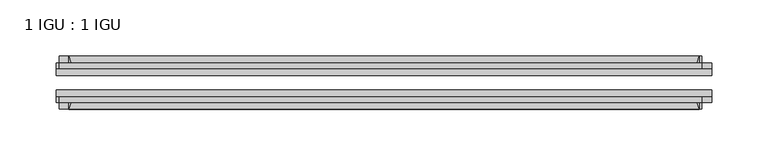
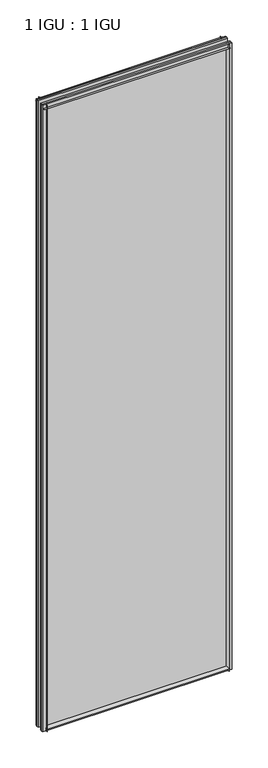
"""IFC4 building model written with IfcOpenShell, lengths in millimetres: plate geometry, 1 IGU : 1 IGU."""

from ifc_helpers import new_model, si_unit, point, frame, frame_2d, origin, place, context, project, spatial, polyline, circle_curve, trimmed, segment, composite_curve, outline, extrude, source, transform, mapped, element, save


def plate_1_igu_1_igu_d516ed34(model_context):
    return source(origin(), model_context, "Body", "SweptSolid", [
        extrude(outline(composite_curve([segment(polyline([(-74.6252, -8.73125), (-74.6252, -0.0097454), (-80.6504332, -0.0097454)]), True, "CONTINUOUS"), segment(trimmed(circle_curve(frame_2d((-86.2258203, 32.2797688)), 32.7673262), [point((-80.6504332, -0.0097454))], [point((-69.85, 3.8979053))], True, "CARTESIAN"), True, "CONTINUOUS"), segment(polyline([(-69.85, 3.8979053), (-69.85, -8.73125), (-74.6252, -8.73125)]), True, "CONTINUOUS")], self_intersect=False)), frame((-279.4, 0.0, 0.0), z_axis=(1.0, 0.0, 0.0), x_axis=(0.0, 1.0, 0.0)), (0.0, 0.0, 1.0), 558.8),
        extrude(outline(composite_curve([segment(polyline([(-39.6748, -8.73125), (-44.45, -8.73125), (-44.45, 3.8979053)]), True, "CONTINUOUS"), segment(trimmed(circle_curve(frame_2d((-28.0741797, 32.2797688)), 32.7673262), [point((-44.45, 3.8979053))], [point((-33.6495668, -0.0097454))], True, "CARTESIAN"), True, "CONTINUOUS"), segment(polyline([(-33.6495668, -0.0097454), (-39.6748, -0.0097454), (-39.6748, -8.73125)]), True, "CONTINUOUS")], self_intersect=False)), frame((-279.4, 0.0, 0.0), z_axis=(1.0, 0.0, 0.0), x_axis=(0.0, 1.0, 0.0)), (0.0, 0.0, 1.0), 558.8),
        extrude(outline(composite_curve([segment(polyline([(-80.5942, 2008.98125), (-74.6252, 2008.98125), (-74.6252, 2020.09375), (-69.85, 2020.09375), (-69.85, 2005.0833595)]), True, "CONTINUOUS"), segment(trimmed(circle_curve(frame_2d((-86.2258203, 1976.701496)), 32.7673262), [point((-69.85, 2005.0833595))], [point((-80.5942, 2008.98125))], True, "CARTESIAN"), True, "CONTINUOUS")], self_intersect=False)), frame((-287.9127386, 0.0, 0.0), z_axis=(1.0, 0.0, 0.0), x_axis=(0.0, 1.0, 0.0)), (0.0, 0.0, 1.0), 569.8587001),
        extrude(outline(composite_curve([segment(polyline([(-39.6748, 2020.09375), (-39.6748, 2008.98125), (-33.7058, 2008.98125)]), True, "CONTINUOUS"), segment(trimmed(circle_curve(frame_2d((-28.0741797, 1976.701496)), 32.7673262), [point((-33.7058, 2008.98125))], [point((-44.45, 2005.0833595))], True, "CARTESIAN"), True, "CONTINUOUS"), segment(polyline([(-44.45, 2005.0833595), (-44.45, 2020.09375), (-39.6748, 2020.09375)]), True, "CONTINUOUS")], self_intersect=False)), frame((-287.9127386, 0.0, 0.0), z_axis=(1.0, 0.0, 0.0), x_axis=(0.0, 1.0, 0.0)), (0.0, 0.0, 1.0), 569.8587001),
        extrude(outline(composite_curve([segment(polyline([(290.5125, -39.6748), (290.5125, -44.45), (275.5021095, -44.45)]), True, "CONTINUOUS"), segment(trimmed(circle_curve(frame_2d((247.120246, -28.0741797)), 32.7673262), [point((275.5021095, -44.45))], [point((279.4, -33.7058))], True, "CARTESIAN"), True, "CONTINUOUS"), segment(polyline([(279.4, -33.7058), (279.4, -39.6748), (290.5125, -39.6748)]), True, "CONTINUOUS")], self_intersect=False)), frame((0.0, 0.0, -8.73125), z_axis=(0.0, 0.0, 1.0), x_axis=(1.0, 0.0, 0.0)), (0.0, 0.0, 1.0), 2028.825),
        extrude(outline(composite_curve([segment(polyline([(290.5125, -69.85), (290.5125, -74.6252), (279.4, -74.6252), (279.4, -80.5942)]), True, "CONTINUOUS"), segment(trimmed(circle_curve(frame_2d((247.120246, -86.2258203)), 32.7673262), [point((279.4, -80.5942))], [point((275.5021095, -69.85))], True, "CARTESIAN"), True, "CONTINUOUS"), segment(polyline([(275.5021095, -69.85), (290.5125, -69.85)]), True, "CONTINUOUS")], self_intersect=False)), frame((0.0, 0.0, -8.73125), z_axis=(0.0, 0.0, 1.0), x_axis=(1.0, 0.0, 0.0)), (0.0, 0.0, 1.0), 2028.825),
        extrude(outline(composite_curve([segment(polyline([(-290.5125, -39.6748), (-279.4, -39.6748), (-279.4, -33.7058)]), True, "CONTINUOUS"), segment(trimmed(circle_curve(frame_2d((-247.120246, -28.0741797)), 32.7673262), [point((-279.4, -33.7058))], [point((-275.5021095, -44.45))], True, "CARTESIAN"), True, "CONTINUOUS"), segment(polyline([(-275.5021095, -44.45), (-290.5125, -44.45), (-290.5125, -39.6748)]), True, "CONTINUOUS")], self_intersect=False)), frame((0.0, 0.0, -8.73125), z_axis=(0.0, 0.0, 1.0), x_axis=(1.0, 0.0, 0.0)), (0.0, 0.0, 1.0), 2028.825),
        extrude(outline(composite_curve([segment(polyline([(-290.5125, -74.6252), (-290.5125, -69.85), (-275.5021095, -69.85)]), True, "CONTINUOUS"), segment(trimmed(circle_curve(frame_2d((-247.120246, -86.2258203)), 32.7673262), [point((-275.5021095, -69.85))], [point((-279.4, -80.5942))], True, "CARTESIAN"), True, "CONTINUOUS"), segment(polyline([(-279.4, -80.5942), (-279.4, -74.6252), (-290.5125, -74.6252)]), True, "CONTINUOUS")], self_intersect=False)), frame((0.0, 0.0, -8.73125), z_axis=(0.0, 0.0, 1.0), x_axis=(1.0, 0.0, 0.0)), (0.0, 0.0, 1.0), 2028.825),
        extrude(outline(polyline([(-290.5125, -69.85), (-290.5125, -63.5508), (290.5125, -63.5508), (290.5125, -69.85), (-290.5125, -69.85)])), frame((0.0, 0.0, -8.73125), z_axis=(0.0, 0.0, 1.0), x_axis=(1.0, 0.0, 0.0)), (0.0, 0.0, 1.0), 2028.825),
        extrude(outline(polyline([(290.5125, -50.7492), (-290.5125, -50.7492), (-290.5125, -44.45), (290.5125, -44.45), (290.5125, -50.7492)])), frame((0.0, 0.0, -8.73125), z_axis=(0.0, 0.0, 1.0), x_axis=(1.0, 0.0, 0.0)), (0.0, 0.0, 1.0), 2028.825),
    ])


if __name__ == "__main__":
    model = new_model("IFC4")
    model_context = context("Model", 3, world=origin())
    ifc_project = project(units=[si_unit("LENGTHUNIT", "METRE", prefix="MILLI")], contexts=[model_context])
    site = spatial("IfcSite", under=ifc_project)
    building = spatial("IfcBuilding", under=site)
    placement = place(None, origin())
    plate_1_igu_1_igu_shape = plate_1_igu_1_igu_d516ed34(model_context)
    element("IfcPlate", 1, ObjectType="1 IGU : 1 IGU", at=placement, inside=building, context=model_context, shape_type="MappedRepresentation", body=[
        mapped(plate_1_igu_1_igu_shape, transform((0.0, 0.0, 0.0), x_axis=(1.0, 0.0, 0.0), y_axis=(0.0, 1.0, 0.0), z_axis=(0.0, 0.0, 1.0))),
    ])
    save(model, "model.ifc")
